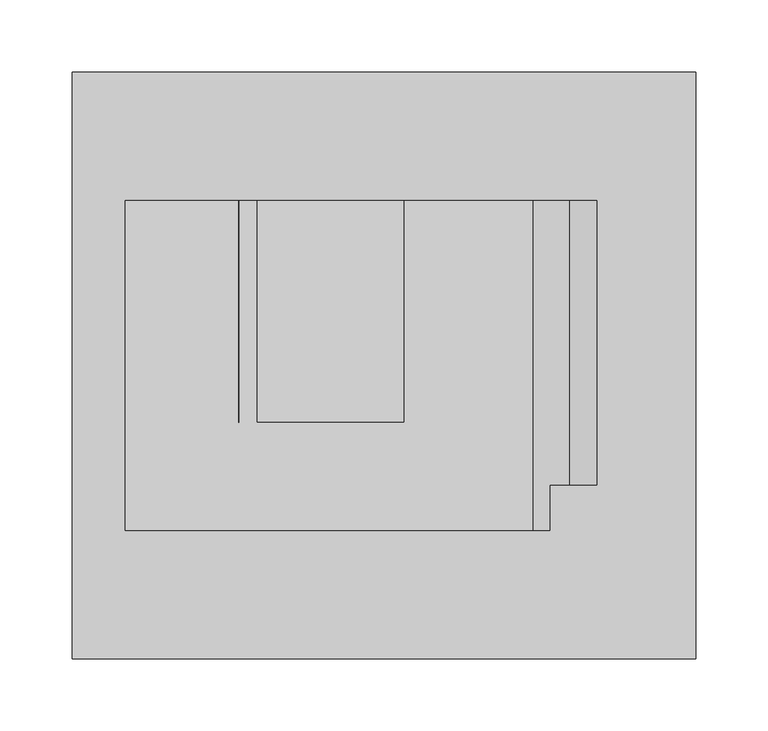
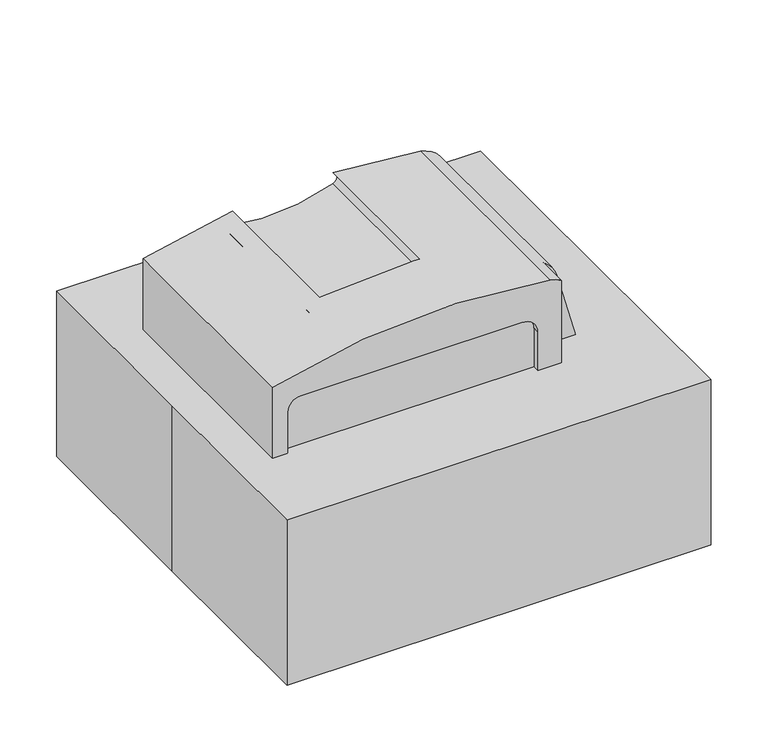
"""IFC4 building model written with IfcOpenShell, lengths in millimetres: proxy geometry."""

from ifc_helpers import new_model, si_unit, frame, origin, origin_with_axes, place, context, project, spatial, polyline, circle_curve, outline, extrude, source, transform, mapped, element, save
from ifc_brep_helpers import plane_surface, cylinder_surface, revolved_surface, advanced_brep


def specialty_equipment_b503c85d(model_context):
    return source(origin(), model_context, "Body", "SolidModel", [
        advanced_brep(
        [(150.8577319, -114.3, 0.0), (176.2577319, -114.3, 69.7859265), (114.7370728, -114.3, 110.2857558), (114.7370728, -114.3, 266.3346257), (103.1784124, -114.3, 270.7054998), (-179.3422681, -114.3, 254.0), (-179.3422681, -114.3, 0.0), (90.7109247, -114.3, 50.6960895), (71.6609247, -114.3, 31.6460895), (-144.2390753, -114.3, 31.6460895), (-163.2890753, -114.3, 50.6960895), (-163.2890753, -114.3, 222.1460895), (-150.5890753, -114.3, 234.8460895), (74.9738905, -114.3, 234.8460895), (90.7109247, -114.3, 219.1090553), (145.1038176, -114.3, 50.8544827), (94.3038176, -114.3, 50.8544827), (132.4038176, -114.3, 50.8544827), (107.0038176, -114.3, 50.8544827), (150.8577319, 114.3, 0.0), (-179.3422681, 114.3, 0.0), (-179.3422681, 114.3, 254.0), (-87.9648551, 114.3, 273.4915168), (-95.67799, 114.3, 271.6963039), (-95.5402402, 114.3, 259.3309192), (14.3607442, 114.3, 267.2445882), (14.1153613, 114.3, 279.2069302), (103.1784124, 114.3, 270.7054998), (128.6105233, 114.3, 247.6077295), (176.2577319, 114.3, 69.7859265), (150.8577319, -82.9767893, 0.0), (176.2577319, -82.9767893, 69.7859265), (128.6105233, -82.9767893, 247.6077295), (114.7370728, -82.9767893, 266.3346257), (14.1153613, -39.4871687, 279.2069302), (-87.9648551, -39.4871687, 273.4915168), (14.3607442, -39.4871687, 267.2445882), (-95.5402402, -39.4871687, 259.3309192), (-95.67799, -39.4871687, 271.6963039), (71.6609247, -107.5167707, 31.6460895), (90.7109247, -107.5167707, 50.6960895), (90.7109247, -107.5167707, 219.1090553), (74.9738905, -107.5167707, 234.8460895), (-150.5890753, -107.5167707, 234.8460895), (-163.2890753, -107.5167707, 222.1460895), (-163.2890753, -107.5167707, 50.6960895), (-144.2390753, -107.5167707, 31.6460895), (94.3038176, -82.9767893, 50.8544827), (145.1038176, -82.9767893, 50.8544827), (107.0038176, -82.9767893, 50.8544827), (132.4038176, -82.9767893, 50.8544827), (114.7370728, -82.9767893, 110.2857558)],
        [
            (0, 1, circle_curve(frame((119.7038176, -114.3, 50.8544827), z_axis=(0.0, -1.0, 0.0), x_axis=(1.0, 0.0, 0.0)), 59.6384505)),
            (1, 2, circle_curve(frame((119.7038176, -114.3, 50.8544827), z_axis=(0.0, -1.0, 0.0), x_axis=(1.0, 0.0, 0.0)), 59.6384505)),
            (2, 3),
            (3, 4, circle_curve(frame((97.9423784, -114.3, 239.3902248), z_axis=(0.0, -1.0, 0.0), x_axis=(1.0, 0.0, 0.0)), 31.75)),
            (4, 5, circle_curve(frame((-1.5422681, -114.3, -355.6), z_axis=(0.0, -1.0, 0.0), x_axis=(1.0, 0.0, 0.0)), 635.0)),
            (5, 6),
            (6, 0),
            (7, 8, circle_curve(frame((71.6609247, -114.3, 50.6960895), z_axis=(0.0, 1.0, 0.0), x_axis=(1.0, 0.0, 0.0)), 19.05)),
            (8, 9),
            (9, 10, circle_curve(frame((-144.2390753, -114.3, 50.6960895), z_axis=(0.0, 1.0, 0.0), x_axis=(1.0, 0.0, 0.0)), 19.05)),
            (10, 11),
            (11, 12, circle_curve(frame((-150.5890753, -114.3, 222.1460895), z_axis=(0.0, 1.0, 0.0), x_axis=(1.0, 0.0, 0.0)), 12.7)),
            (12, 13),
            (13, 14, circle_curve(frame((74.9738905, -114.3, 219.1090553), z_axis=(0.0, 1.0, 0.0), x_axis=(1.0, 0.0, 0.0)), 15.7370342)),
            (14, 7),
            (15, 16, circle_curve(frame((119.7038176, -114.3, 50.8544827), z_axis=(0.0, 1.0, 0.0), x_axis=(1.0, 0.0, 0.0)), 25.4)),
            (16, 15, circle_curve(frame((119.7038176, -114.3, 50.8544827), z_axis=(0.0, 1.0, 0.0), x_axis=(1.0, 0.0, 0.0)), 25.4)),
            (17, 18, circle_curve(frame((119.7038176, -114.3, 50.8544827), z_axis=(0.0, -1.0, 0.0), x_axis=(1.0, 0.0, 0.0)), 12.7)),
            (18, 17, circle_curve(frame((119.7038176, -114.3, 50.8544827), z_axis=(0.0, -1.0, 0.0), x_axis=(1.0, 0.0, 0.0)), 12.7)),
            (19, 20),
            (20, 21),
            (21, 22, circle_curve(frame((-1.5422681, 114.3, -355.6), z_axis=(0.0, 1.0, 0.0), x_axis=(1.0, 0.0, 0.0)), 635.0)),
            (22, 23, circle_curve(frame((-18.6096514, 114.3, -41.9605774), z_axis=(0.0, -1.0, 0.0), x_axis=(1.0, 0.0, 0.0)), 322.9863279)),
            (23, 24, circle_curve(frame((-94.1628052, 114.3, 265.5297234), z_axis=(0.0, -1.0, 0.0), x_axis=(1.0, 0.0, 0.0)), 6.35)),
            (24, 25, circle_curve(frame((-53.8232511, 114.3, 447.0678714), z_axis=(0.0, -1.0, 0.0), x_axis=(1.0, 0.0, 0.0)), 192.316069)),
            (25, 26, circle_curve(frame((12.1094067, 114.3, 273.1820944), z_axis=(0.0, -1.0, 0.0), x_axis=(1.0, 0.0, 0.0)), 6.35)),
            (26, 27, circle_curve(frame((-1.5422681, 114.3, -355.6), z_axis=(0.0, 1.0, 0.0), x_axis=(1.0, 0.0, 0.0)), 635.0)),
            (27, 28, circle_curve(frame((97.9423784, 114.3, 239.3902248), z_axis=(0.0, 1.0, 0.0), x_axis=(1.0, 0.0, 0.0)), 31.75)),
            (28, 29),
            (29, 19, circle_curve(frame((119.7038176, 114.3, 50.8544827), z_axis=(0.0, 1.0, 0.0), x_axis=(1.0, 0.0, 0.0)), 59.6384505)),
            (0, 30),
            (30, 19),
            (29, 31),
            (31, 1),
            (28, 32),
            (32, 31),
            (27, 4),
            (3, 33),
            (33, 32, circle_curve(frame((97.9423784, -82.9767893, 239.3902248), z_axis=(0.0, 1.0, 0.0), x_axis=(1.0, 0.0, 0.0)), 31.75)),
            (26, 34),
            (34, 35, circle_curve(frame((-1.5422681, -39.4871687, -355.6), z_axis=(0.0, -1.0, 0.0), x_axis=(1.0, 0.0, 0.0)), 635.0)),
            (35, 22),
            (21, 5),
            (20, 6),
            (36, 37, circle_curve(frame((-53.8232511, -39.4871687, 447.0678714), z_axis=(0.0, 1.0, 0.0), x_axis=(1.0, 0.0, 0.0)), 192.316069)),
            (37, 38, circle_curve(frame((-94.1628052, -39.4871687, 265.5297234), z_axis=(0.0, 1.0, 0.0), x_axis=(1.0, 0.0, 0.0)), 6.35)),
            (38, 35, circle_curve(frame((-18.6096514, -39.4871687, -41.9605774), z_axis=(0.0, 1.0, 0.0), x_axis=(1.0, 0.0, 0.0)), 322.9863279)),
            (34, 36, circle_curve(frame((12.1094067, -39.4871687, 273.1820944), z_axis=(0.0, 1.0, 0.0), x_axis=(1.0, 0.0, 0.0)), 6.35)),
            (25, 36),
            (38, 23),
            (37, 24),
            (39, 40, circle_curve(frame((71.6609247, -107.5167707, 50.6960895), z_axis=(0.0, -1.0, 0.0), x_axis=(1.0, 0.0, 0.0)), 19.05)),
            (40, 41),
            (41, 42, circle_curve(frame((74.9738905, -107.5167707, 219.1090553), z_axis=(0.0, -1.0, 0.0), x_axis=(1.0, 0.0, 0.0)), 15.7370342)),
            (42, 43),
            (43, 44, circle_curve(frame((-150.5890753, -107.5167707, 222.1460895), z_axis=(0.0, -1.0, 0.0), x_axis=(1.0, 0.0, 0.0)), 12.7)),
            (44, 45),
            (45, 46, circle_curve(frame((-144.2390753, -107.5167707, 50.6960895), z_axis=(0.0, -1.0, 0.0), x_axis=(1.0, 0.0, 0.0)), 19.05)),
            (46, 39),
            (39, 8),
            (7, 40),
            (14, 41),
            (13, 42),
            (12, 43),
            (11, 44),
            (10, 45),
            (9, 46),
            (47, 48, circle_curve(frame((119.7038176, -82.9767893, 50.8544827), z_axis=(0.0, -1.0, 0.0), x_axis=(1.0, 0.0, 0.0)), 25.4)),
            (48, 47, circle_curve(frame((119.7038176, -82.9767893, 50.8544827), z_axis=(0.0, -1.0, 0.0), x_axis=(1.0, 0.0, 0.0)), 25.4)),
            (49, 50, circle_curve(frame((119.7038176, -82.9767893, 50.8544827), z_axis=(0.0, 1.0, 0.0), x_axis=(1.0, 0.0, 0.0)), 12.7)),
            (50, 49, circle_curve(frame((119.7038176, -82.9767893, 50.8544827), z_axis=(0.0, 1.0, 0.0), x_axis=(1.0, 0.0, 0.0)), 12.7)),
            (51, 31, circle_curve(frame((119.7038176, -82.9767893, 50.8544827), z_axis=(0.0, 1.0, 0.0), x_axis=(1.0, 0.0, 0.0)), 59.6384505)),
            (33, 51),
            (51, 2),
            (47, 16),
            (15, 48),
            (49, 18),
            (17, 50),
        ],
        [
            plane_surface(frame((179.3422681, -114.3, 50.8544827), z_axis=(0.0, -1.0, 0.0), x_axis=(0.0, 0.0, 1.0))),
            plane_surface(frame((179.3422681, 114.3, 50.8544827), z_axis=(0.0, 1.0, 0.0), x_axis=(0.0, 0.0, -1.0))),
            cylinder_surface(frame((119.7038176, 114.3, 50.8544827), z_axis=(0.0, -1.0, 0.0), x_axis=(1.0, 0.0, 0.0)), 59.6384505),
            plane_surface(frame((176.2577319, -114.3, 69.7859265), z_axis=(0.9659258262890688, 0.0, 0.25881904510251935), x_axis=(0.0, 1.0, 0.0))),
            cylinder_surface(frame((97.9423784, 114.3, 239.3902248), z_axis=(0.0, -1.0, 0.0), x_axis=(1.0, 0.0, 0.0)), 31.75),
            cylinder_surface(frame((-1.5422681, 114.3, -355.6), z_axis=(0.0, -1.0, 0.0), x_axis=(1.0, 0.0, 0.0)), 635.0),
            plane_surface(frame((-179.3422681, -114.3, 254.0), z_axis=(-1.0, 0.0, 0.0), x_axis=(0.0, 1.0, 0.0))),
            plane_surface(frame((-179.3422681, -114.3, 0.0), z_axis=(0.0, 0.0, -1.0), x_axis=(0.0, 1.0, 0.0))),
            plane_surface(frame((18.4594067, -39.4871687, 273.1820944), z_axis=(0.0, 1.0, 0.0), x_axis=(0.0, 0.0, 1.0))),
            revolved_surface(polyline([(18.4594067, -39.4871687, 273.1820944), (18.4594067, 114.3, 273.1820944)]), (12.1094067, 114.3, 273.1820944), (0.0, -1.0, 0.0)),
            revolved_surface(polyline([(304.3766765, -39.4871687, -41.9605774), (304.3766765, 114.3, -41.9605774)]), (-18.6096514, 114.3, -41.9605774), (0.0, -1.0, 0.0)),
            revolved_surface(polyline([(-87.8128052, -39.4871687, 265.5297234), (-87.8128052, 114.3, 265.5297234)]), (-94.1628052, 114.3, 265.5297234), (0.0, -1.0, 0.0)),
            revolved_surface(polyline([(138.4928179, -39.4871687, 447.0678714), (138.4928179, 114.3, 447.0678714)]), (-53.8232511, 114.3, 447.0678714), (0.0, -1.0, 0.0)),
            plane_surface(frame((90.7109247, -107.5167707, 50.6960895), z_axis=(0.0, -1.0, 0.0), x_axis=(0.0, 0.0, -1.0))),
            revolved_surface(polyline([(90.71092469999999, -114.3, 50.6960895), (90.71092469999999, -107.5167707, 50.6960895)]), (71.6609247, -107.5167707, 50.6960895), (0.0, -1.0, 0.0)),
            plane_surface(frame((90.7109247, -114.3, 50.6960895), z_axis=(-1.0, 0.0, 0.0), x_axis=(0.0, 1.0, 0.0))),
            revolved_surface(polyline([(90.71092469999999, -114.3, 219.1090553), (90.71092469999999, -107.5167707, 219.1090553)]), (74.9738905, -107.5167707, 219.1090553), (0.0, -1.0, 0.0)),
            plane_surface(frame((74.9738905, -114.3, 234.8460895), z_axis=(0.0, 0.0, -1.0), x_axis=(0.0, 1.0, 0.0))),
            revolved_surface(polyline([(-137.8890753, -114.3, 222.1460895), (-137.8890753, -107.5167707, 222.1460895)]), (-150.5890753, -107.5167707, 222.1460895), (0.0, -1.0, 0.0)),
            plane_surface(frame((-163.2890753, -114.3, 222.1460895), z_axis=(1.0, 0.0, 0.0), x_axis=(0.0, 1.0, 0.0))),
            revolved_surface(polyline([(-125.1890753, -114.3, 50.6960895), (-125.1890753, -107.5167707, 50.6960895)]), (-144.2390753, -107.5167707, 50.6960895), (0.0, -1.0, 0.0)),
            plane_surface(frame((-144.2390753, -114.3, 31.6460895), z_axis=(0.0, 0.0, 1.0), x_axis=(0.0, 1.0, 0.0))),
            plane_surface(frame((179.3422681, -82.9767893, 50.8544827), z_axis=(0.0, -1.0, 0.0), x_axis=(0.0, 0.0, 1.0))),
            cylinder_surface(frame((119.7038176, -82.9767893, 50.8544827), z_axis=(0.0, 1.0, 0.0), x_axis=(1.0, 0.0, 0.0)), 59.6384505),
            plane_surface(frame((114.7370728, -114.3, 288.0857558), z_axis=(1.0, 0.0, 0.0), x_axis=(0.0, 1.0, 0.0))),
            revolved_surface(polyline([(145.10381759999999, -114.3, 50.8544827), (145.10381759999999, -82.9767893, 50.8544827)]), (119.7038176, 114.3, 50.8544827), (0.0, -1.0, 0.0)),
            cylinder_surface(frame((119.7038176, 114.3, 50.8544827), z_axis=(0.0, 1.0, 0.0), x_axis=(1.0, 0.0, 0.0)), 12.7),
        ],
        [
            (0, [[1, 2, 3, 4, 5, 6, 7], [8, 9, 10, 11, 12, 13, 14, 15], [16, 17]]),
            (0, [[18, 19]]),
            (1, [[20, 21, 22, 23, 24, 25, 26, 27, 28, 29, 30]]),
            (2, [[-1, 31, 32, -30, 33, 34]]),
            (3, [[-29, 35, 36, -33]]),
            (4, [[-28, 37, -4, 38, 39, -35]]),
            (5, [[-5, -37, -27, 40, 41, 42, -22, 43]]),
            (6, [[-6, -43, -21, 44]]),
            (7, [[-7, -44, -20, -32, -31]]),
            (8, [[45, 46, 47, -41, 48]]),
            (9, [[49, -48, -40, -26]]),
            (10, [[50, -23, -42, -47]]),
            (11, [[-46, 51, -24, -50]]),
            (12, [[-45, -49, -25, -51]]),
            (13, [[52, 53, 54, 55, 56, 57, 58, 59]]),
            (14, [[-52, 60, -8, 61]]),
            (15, [[-53, -61, -15, 62]]),
            (16, [[-54, -62, -14, 63]]),
            (17, [[-55, -63, -13, 64]]),
            (18, [[-56, -64, -12, 65]]),
            (19, [[-57, -65, -11, 66]]),
            (20, [[-58, -66, -10, 67]]),
            (21, [[-59, -67, -9, -60]]),
            (22, [[68, 69], [70, 71]]),
            (22, [[72, -36, -39, 73]]),
            (23, [[74, -2, -34, -72]]),
            (24, [[-74, -73, -38, -3]]),
            (25, [[-68, 75, -16, 76]]),
            (25, [[-69, -76, -17, -75]]),
            (26, [[-70, 77, -18, 78]]),
            (26, [[-71, -78, -19, -77]]),
        ],
    ),
        extrude(outline(polyline([(-215.9, 203.2), (215.9, 203.2), (215.9, -203.2), (-215.9, -203.2), (-215.9, 0.0), (-215.9, 203.2)])), origin_with_axes(), (0.0, 0.0, 1.0), 177.8),
    ])


if __name__ == "__main__":
    model = new_model("IFC4")
    model_context = context("Model", 3, world=origin())
    ifc_project = project(units=[si_unit("LENGTHUNIT", "METRE", prefix="MILLI")], contexts=[model_context])
    site = spatial("IfcSite", under=ifc_project)
    building = spatial("IfcBuilding", under=site)
    placement = place(None, origin())
    specialty_equipment_shape = specialty_equipment_b503c85d(model_context)
    element("IfcBuildingElementProxy", 1, Name="Specialty Equipment", at=placement, inside=building, context=model_context, shape_type="MappedRepresentation", body=[
        mapped(specialty_equipment_shape, transform((0.0, 0.0, 0.0), x_axis=(1.0, 0.0, 0.0), y_axis=(0.0, 1.0, 0.0), z_axis=(0.0, 0.0, 1.0))),
    ])
    save(model, "model.ifc")
